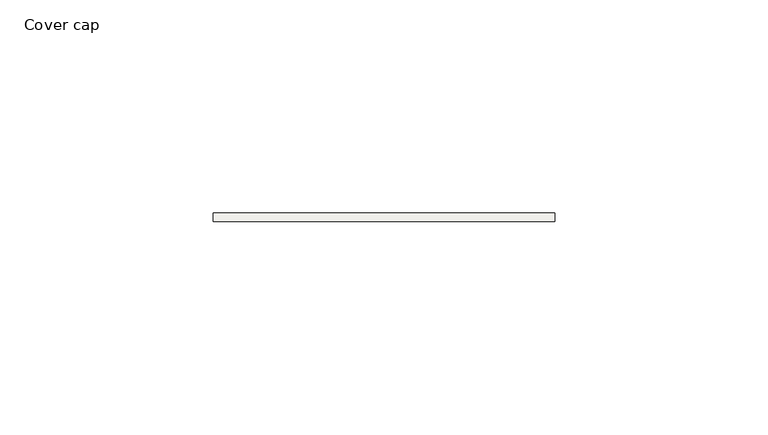
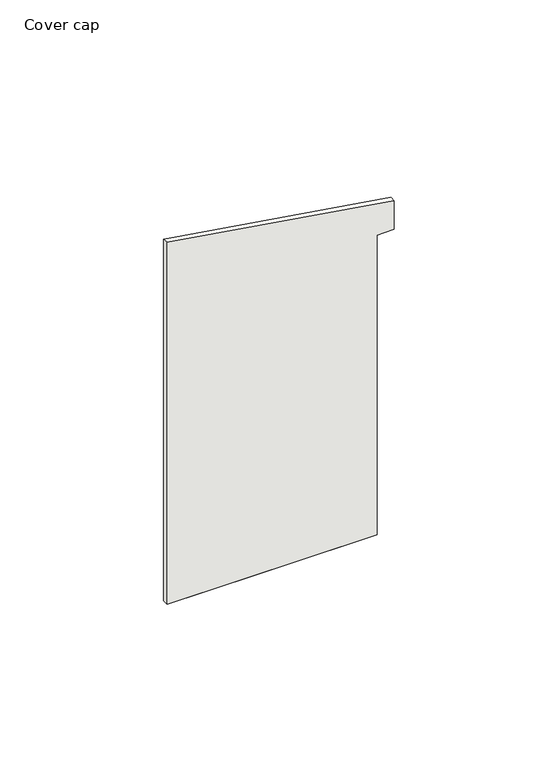
"""IFC4 building model written with IfcOpenShell, lengths in millimetres: covering geometry, Cover cap."""

from ifc_helpers import new_model, si_unit, frame, origin, place, context, project, spatial, polyline, outline, extrude, source, transform, mapped, element, save


def cover_cap_d70d0b6c(model_context):
    return source(origin(), model_context, "Body", "SweptSolid", [
        extrude(outline(polyline([(132.7051053, -7.0), (-2.0, -7.0), (-2.0, 67.0), (109.5, 67.0), (109.5, 73.0), (120.2855349, 73.0), (132.7051053, -7.0)])), frame((0.0, 0.0, 0.0), z_axis=(0.0, 1.0, 0.0), x_axis=(0.0, 0.0, 1.0)), (0.0, 0.0, 1.0), 2.0),
        extrude(outline(polyline([(67.0, 0.0), (0.0, 0.0), (0.0, 2.0), (67.0, 2.0), (67.0, 0.0)])), frame((0.0, 0.0, -2.0), z_axis=(0.0, 0.0, 1.0), x_axis=(1.0, 0.0, 0.0)), (0.0, 0.0, 1.0), 111.5),
    ])


if __name__ == "__main__":
    model = new_model("IFC4")
    model_context = context("Model", 3, world=origin())
    ifc_project = project(units=[si_unit("LENGTHUNIT", "METRE", prefix="MILLI")], contexts=[model_context])
    site = spatial("IfcSite", under=ifc_project)
    building = spatial("IfcBuilding", under=site)
    placement = place(None, origin())
    cover_cap_shape = cover_cap_d70d0b6c(model_context)
    element("IfcCovering", 1, ObjectType="Cover cap", at=placement, inside=building, context=model_context, shape_type="MappedRepresentation", body=[
        mapped(cover_cap_shape, transform((0.0, 0.0, 0.0), x_axis=(1.0, 0.0, 0.0), y_axis=(0.0, 1.0, 0.0), z_axis=(0.0, 0.0, 1.0))),
    ])
    save(model, "model.ifc")
